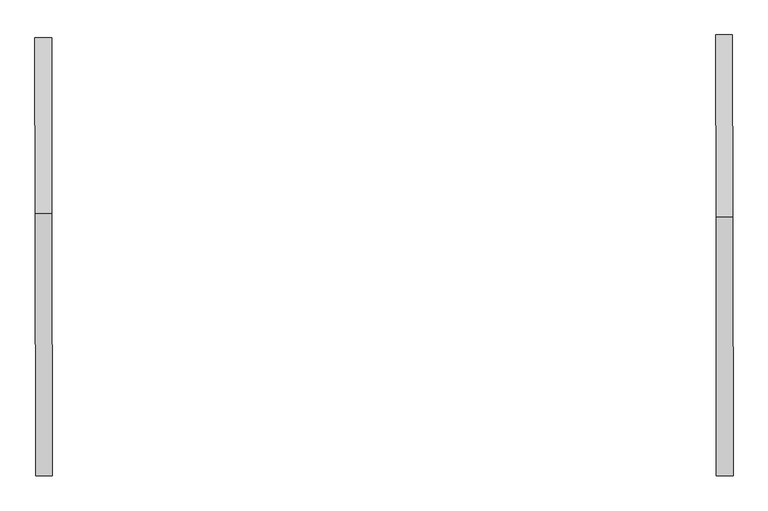
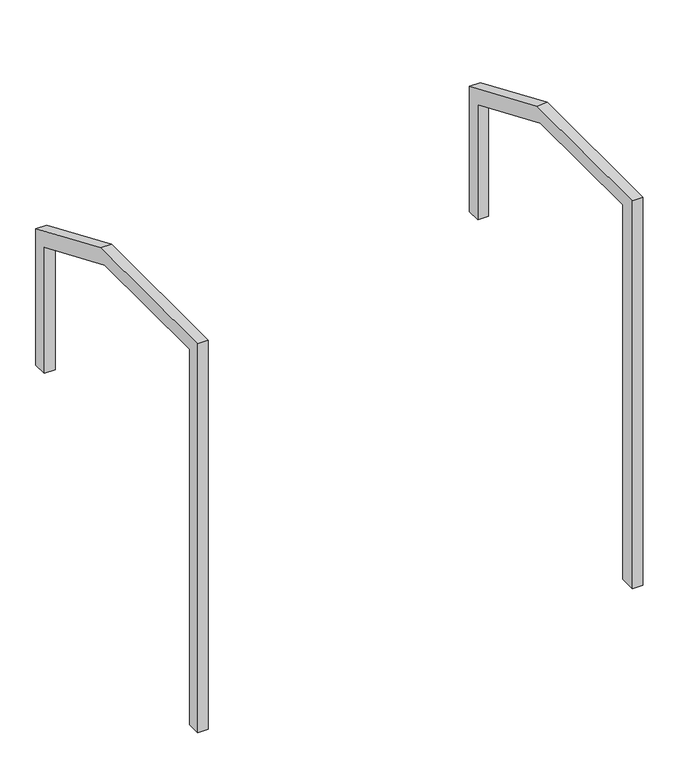
"""IFC4 building model written with IfcOpenShell, lengths in millimetres: proxy geometry."""

from ifc_helpers import new_model, si_unit, frame, origin, place, context, project, spatial, polyline, outline, extrude, source, transform, mapped, element, save


def generic_models_8e432207(model_context):
    return source(origin(), model_context, "Body", "SweptSolid", [
        extrude(outline(polyline([(15.0, 0.0), (15.0, 2204.0787284), (93.6670787, 2204.0787284), (93.6670787, -79.3622542), (-835.9682141, -79.3622542), (-1459.3481536, 185.246831), (-1459.3481536, 985.6599779), (-1378.8554338, 985.6599779), (-1378.8554338, 245.4046953), (-800.7182019, 0.0), (15.0, 0.0)])), frame((-80850.3106219, 121479.9290485, 13365.721992), z_axis=(0.9999990131372021, 0.0014048930998798788, 0.0), x_axis=(0.0014048930998798788, -0.9999990131372021, 0.0)), (0.0, 0.0, 1.0), 59.222419),
        extrude(outline(polyline([(0.0, 0.0), (0.0, 2199.0787284), (93.6670787, 2199.0787284), (93.6670787, -79.3622542), (-824.1889523, -79.3622542), (-1469.3481535, 194.4915791), (-1469.3481535, 930.721992), (-1388.8554339, 930.721992), (-1388.8554339, 254.6494434), (-788.9389401, 0.0), (0.0, 0.0)])), frame((-78435.3249716, 121479.9290485, 13360.721992), z_axis=(0.9999990131372021, 0.0014048930998798788, 0.0), x_axis=(0.0014048930998798788, -0.9999990131372021, 0.0)), (0.0, 0.0, 1.0), 59.222419),
    ])


if __name__ == "__main__":
    model = new_model("IFC4")
    model_context = context("Model", 3, world=origin())
    ifc_project = project(units=[si_unit("LENGTHUNIT", "METRE", prefix="MILLI")], contexts=[model_context])
    site = spatial("IfcSite", under=ifc_project)
    building = spatial("IfcBuilding", under=site)
    placement = place(None, origin())
    generic_models_shape = generic_models_8e432207(model_context)
    element("IfcBuildingElementProxy", 1, Name="Generic Models", at=placement, inside=building, context=model_context, shape_type="MappedRepresentation", body=[
        mapped(generic_models_shape, transform((0.0, 0.0, 0.0), x_axis=(1.0, 0.0, 0.0), y_axis=(0.0, 1.0, 0.0), z_axis=(0.0, 0.0, 1.0))),
    ])
    save(model, "model.ifc")
